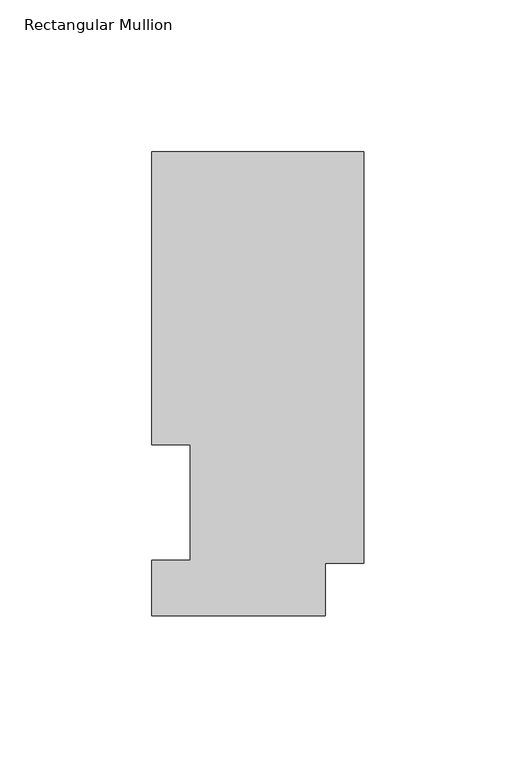
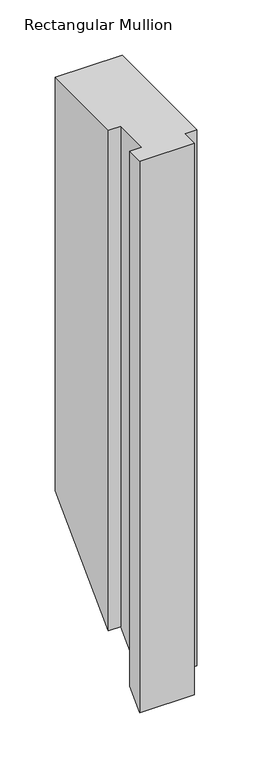
"""IFC4 building model written with IfcOpenShell, lengths in millimetres: member geometry, Rectangular Mullion."""

from ifc_helpers import new_model, si_unit, origin, place, context, project, spatial, faceted_brep, source, transform, mapped, element, save


def rectangular_mullion_7d948804(model_context):
    return source(origin(), model_context, "Body", "Brep", [
        faceted_brep([(0.0, 152.7492337, 0.0), (-69.85, 152.7492337, 0.0), (-69.85, 56.3562337, 0.0), (-57.15, 56.3562337, 0.0), (-57.15, 18.2562337, 0.0), (-69.85, 18.2562337, 0.0), (-69.85, -0.0317663, 0.0), (-12.7, -0.0317663, 0.0), (-12.7, 17.2502333, 0.0), (0.0, 17.2502333, 0.0), (0.0, 152.7492337, -456.8507663), (-69.85, 152.7492337, -456.8507663), (-69.85, 56.3562337, -553.2437663), (-57.15, 56.3562337, -553.2437663), (-57.15, 18.2562337, -591.3437663), (-69.85, 18.2562337, -591.3437663), (-69.85, -0.0317663, -609.6317663), (-12.7, -0.0317663, -609.6317663), (-12.7, 17.2502333, -592.3497667), (0.0, 17.2502333, -592.3497667)], [[[0, 1, 2, 3, 4, 5, 6, 7, 8, 9]], [[1, 0, 10, 11]], [[2, 1, 11, 12]], [[3, 2, 12, 13]], [[4, 3, 13, 14]], [[5, 4, 14, 15]], [[6, 5, 15, 16]], [[7, 6, 16, 17]], [[8, 7, 17, 18]], [[9, 8, 18, 19]], [[0, 9, 19, 10]], [[10, 19, 18, 17, 16, 15, 14, 13, 12, 11]]]),
    ])


if __name__ == "__main__":
    model = new_model("IFC4")
    model_context = context("Model", 3, world=origin())
    ifc_project = project(units=[si_unit("LENGTHUNIT", "METRE", prefix="MILLI")], contexts=[model_context])
    site = spatial("IfcSite", under=ifc_project)
    building = spatial("IfcBuilding", under=site)
    placement = place(None, origin())
    rectangular_mullion_shape = rectangular_mullion_7d948804(model_context)
    element("IfcMember", 1, ObjectType="Rectangular Mullion", at=placement, inside=building, context=model_context, shape_type="MappedRepresentation", body=[
        mapped(rectangular_mullion_shape, transform((0.0, 0.0, 0.0), x_axis=(1.0, 0.0, 0.0), y_axis=(0.0, 1.0, 0.0), z_axis=(0.0, 0.0, 1.0))),
    ])
    save(model, "model.ifc")
